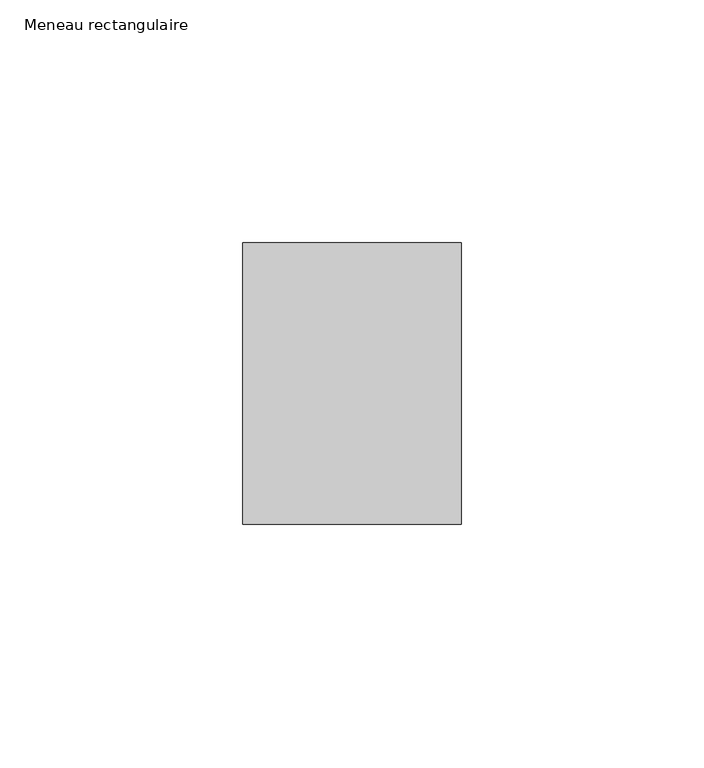
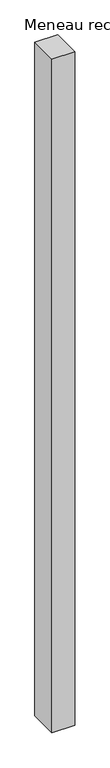
"""IFC4 building model written with IfcOpenShell, lengths in millimetres: member geometry, Meneau rectangulaire."""

from ifc_helpers import new_model, si_unit, frame, origin, place, context, project, spatial, polyline, outline, extrude, source, transform, mapped, element, save


def meneau_rectangulaire_96f795d6(model_context):
    return source(origin(), model_context, "Body", "SweptSolid", [
        extrude(outline(polyline([(0.0, 29.0), (0.0, -29.0), (-45.0, -29.0), (-45.0, 29.0), (0.0, 29.0)])), frame((0.0, 0.0, -1401.2500002), z_axis=(0.0, 0.0, 1.0), x_axis=(1.0, 0.0, 0.0)), (0.0, 0.0, 1.0), 1401.2500002),
    ])


if __name__ == "__main__":
    model = new_model("IFC4")
    model_context = context("Model", 3, world=origin())
    ifc_project = project(units=[si_unit("LENGTHUNIT", "METRE", prefix="MILLI")], contexts=[model_context])
    site = spatial("IfcSite", under=ifc_project)
    building = spatial("IfcBuilding", under=site)
    placement = place(None, origin())
    meneau_rectangulaire_shape = meneau_rectangulaire_96f795d6(model_context)
    element("IfcMember", 1, ObjectType="Meneau rectangulaire", at=placement, inside=building, context=model_context, shape_type="MappedRepresentation", body=[
        mapped(meneau_rectangulaire_shape, transform((0.0, 0.0, 0.0), x_axis=(1.0, 0.0, 0.0), y_axis=(0.0, 1.0, 0.0), z_axis=(0.0, 0.0, 1.0))),
    ])
    save(model, "model.ifc")
